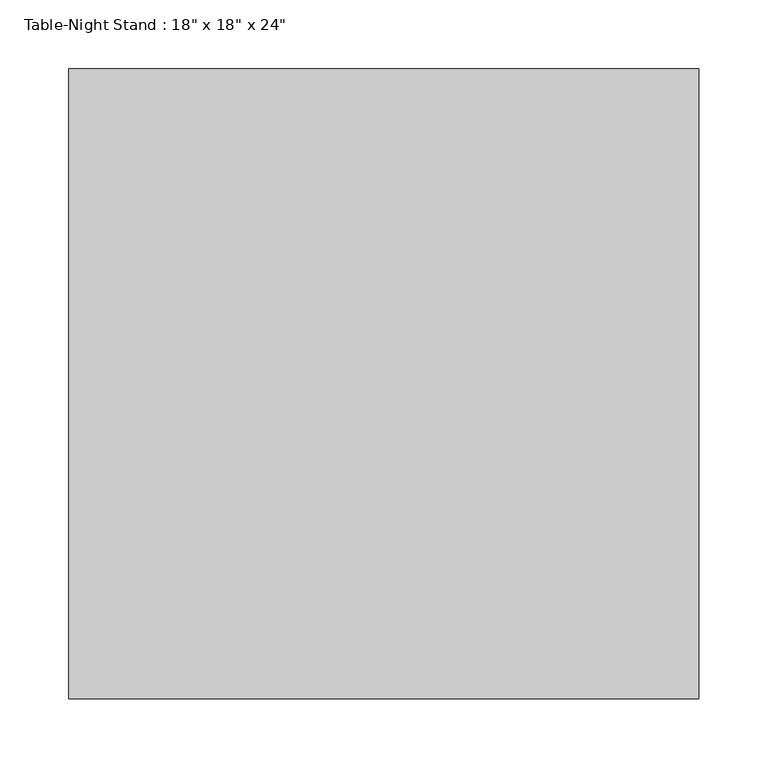
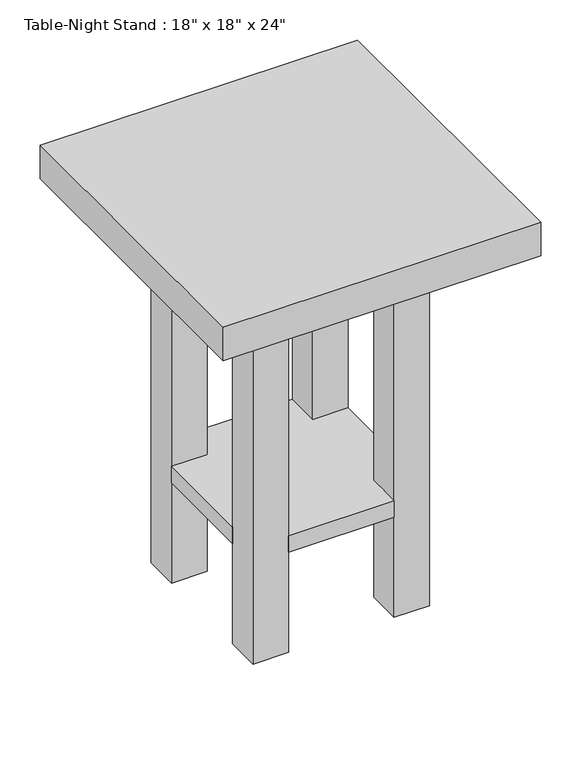
"""IFC4 building model written with IfcOpenShell, lengths in millimetres: furniture geometry."""

from ifc_helpers import new_model, si_unit, frame, origin, origin_with_axes, place, context, project, spatial, polyline, outline, extrude, source, transform, mapped, element, save


def furniture_097b63cf(model_context):
    return source(origin(), model_context, "Body", "SweptSolid", [
        extrude(outline(polyline([(156.1336303, 355.6), (308.5336303, 355.6), (308.5336303, 304.8), (359.3336303, 304.8), (359.3336303, 152.4), (308.5336303, 152.4), (308.5336303, 101.6), (156.1336303, 101.6), (156.1336303, 152.4), (105.3336303, 152.4), (105.3336303, 304.8), (156.1336303, 304.8), (156.1336303, 355.6)])), frame((0.0, 0.0, 152.4), z_axis=(0.0, 0.0, 1.0), x_axis=(1.0, 0.0, 0.0)), (0.0, 0.0, 1.0), 25.4),
        extrude(outline(polyline([(156.1336303, 355.6), (156.1336303, 304.8), (105.3336303, 304.8), (105.3336303, 355.6), (156.1336303, 355.6)])), origin_with_axes(), (0.0, 0.0, 1.0), 558.8),
        extrude(outline(polyline([(156.1336303, 152.4), (156.1336303, 101.6), (105.3336303, 101.6), (105.3336303, 152.4), (156.1336303, 152.4)])), origin_with_axes(), (0.0, 0.0, 1.0), 558.8),
        extrude(outline(polyline([(359.3336303, 355.6), (359.3336303, 304.8), (308.5336303, 304.8), (308.5336303, 355.6), (359.3336303, 355.6)])), origin_with_axes(), (0.0, 0.0, 1.0), 558.8),
        extrude(outline(polyline([(359.3336303, 152.4), (359.3336303, 101.6), (308.5336303, 101.6), (308.5336303, 152.4), (359.3336303, 152.4)])), origin_with_axes(), (0.0, 0.0, 1.0), 558.8),
        extrude(outline(polyline([(460.9336303, 0.0), (3.7336303, 0.0), (3.7336303, 457.2), (460.9336303, 457.2), (460.9336303, 0.0)])), frame((0.0, 0.0, 558.8), z_axis=(0.0, 0.0, 1.0), x_axis=(1.0, 0.0, 0.0)), (0.0, 0.0, 1.0), 50.8),
    ])


if __name__ == "__main__":
    model = new_model("IFC4")
    model_context = context("Model", 3, world=origin())
    ifc_project = project(units=[si_unit("LENGTHUNIT", "METRE", prefix="MILLI")], contexts=[model_context])
    site = spatial("IfcSite", under=ifc_project)
    building = spatial("IfcBuilding", under=site)
    placement = place(None, origin())
    furniture_shape = furniture_097b63cf(model_context)
    element("IfcFurniture", 1, ObjectType="Table-Night Stand : 18\" x 18\" x 24\"", at=placement, inside=building, context=model_context, shape_type="MappedRepresentation", body=[
        mapped(furniture_shape, transform((0.0, 0.0, 0.0), x_axis=(1.0, 0.0, 0.0), y_axis=(0.0, 1.0, 0.0), z_axis=(0.0, 0.0, 1.0))),
    ])
    save(model, "model.ifc")
